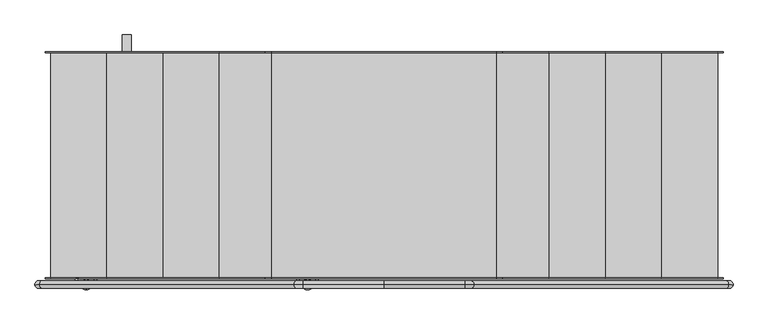
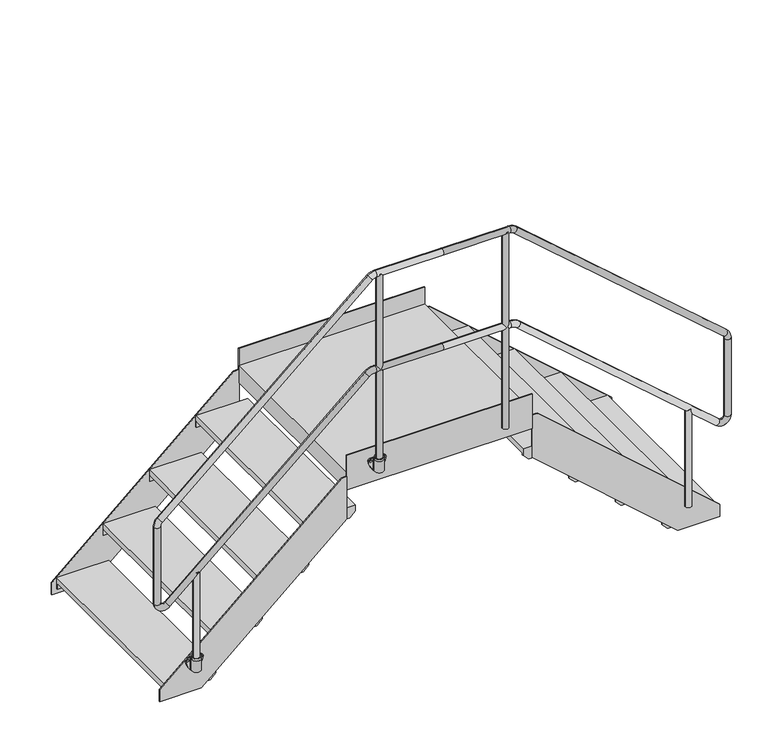
"""IFC4 building model written with IfcOpenShell, lengths in millimetres: beam geometry."""

from ifc_helpers import new_model, si_unit, point, frame, frame_2d, origin, place, context, project, spatial, polyline, circle_curve, ellipse_curve, trimmed, segment, composite_curve, outline, extrude, faceted_brep, source, transform, mapped, element, save
from ifc_brep_helpers import plane_surface, cylinder_surface, revolved_surface, advanced_brep


def beam_62787011(model_context):
    return source(origin(), model_context, "Body", "SolidModel", [
        advanced_brep(
        [(-363.5, -530.5, 1110.5021879), (-316.5, -530.5, 1110.5021879), (-357.5, -530.5, 1110.5021879), (-322.5, -530.5, 1110.5021879), (-355.6843871, -513.0, 1098.5021879), (-324.3156129, -513.0, 1098.5021879), (-340.0, -513.0, 1098.5021879), (-357.5, -530.5, 1098.5021879), (-344.2742096, -513.5299932, 1098.5021879), (-340.0, -513.0, 1098.5021879), (-335.7257904, -513.5299932, 1098.5021879), (-322.5, -530.5, 1098.5021879), (-363.5, -530.5, 1098.5021879), (-316.5, -530.5, 1098.5021879), (-320.0724935, -518.0442991, 1098.5021879), (-359.9275065, -518.0442991, 1098.5021879), (-317.160166, -513.0, 1098.5021879), (-362.839834, -513.0, 1098.5021879), (-320.0724935, -518.0442991, 1034.5021879), (-359.9275065, -518.0442991, 1034.5021879), (-362.839834, -513.0, 1034.5021879), (-317.160166, -513.0, 1034.5021879), (-335.7257904, -513.5299932, 1034.5021879), (-344.2742096, -513.5299932, 1034.5021879)],
        [
            (0, 1, circle_curve(frame((-340.0, -530.5, 1110.5021879), z_axis=(0.0, 0.0, 1.0), x_axis=(1.0, 0.0, 0.0)), 23.5)),
            (1, 0, circle_curve(frame((-340.0, -530.5, 1110.5021879), z_axis=(0.0, 0.0, 1.0), x_axis=(1.0, 0.0, 0.0)), 23.5)),
            (2, 3, circle_curve(frame((-340.0, -530.5, 1110.5021879), z_axis=(0.0, 0.0, -1.0), x_axis=(1.0, 0.0, 0.0)), 17.5)),
            (3, 2, circle_curve(frame((-340.0, -530.5, 1110.5021879), z_axis=(0.0, 0.0, -1.0), x_axis=(1.0, 0.0, 0.0)), 17.5)),
            (4, 5, circle_curve(frame((-340.0, -530.5, 1098.5021879), z_axis=(0.0, 0.0, -1.0), x_axis=(1.0, 0.0, 0.0)), 23.5)),
            (5, 6),
            (6, 4),
            (2, 7),
            (7, 8, circle_curve(frame((-340.0, -530.5, 1098.5021879), z_axis=(0.0, 0.0, -1.0), x_axis=(1.0, 0.0, 0.0)), 17.5)),
            (8, 9, circle_curve(frame((-340.0, -530.5, 1098.5021879), z_axis=(0.0, 0.0, -1.0), x_axis=(1.0, 0.0, 0.0)), 17.5)),
            (9, 10, circle_curve(frame((-340.0, -530.5, 1098.5021879), z_axis=(0.0, 0.0, -1.0), x_axis=(1.0, 0.0, 0.0)), 17.5)),
            (10, 11, circle_curve(frame((-340.0, -530.5, 1098.5021879), z_axis=(0.0, 0.0, -1.0), x_axis=(1.0, 0.0, 0.0)), 17.5)),
            (11, 3),
            (11, 7, circle_curve(frame((-340.0, -530.5, 1098.5021879), z_axis=(0.0, 0.0, -1.0), x_axis=(1.0, 0.0, 0.0)), 17.5)),
            (0, 12),
            (12, 13, circle_curve(frame((-340.0, -530.5, 1098.5021879), z_axis=(0.0, 0.0, 1.0), x_axis=(1.0, 0.0, 0.0)), 23.5)),
            (13, 1),
            (13, 14, circle_curve(frame((-340.0, -530.5, 1098.5021879), z_axis=(0.0, 0.0, 1.0), x_axis=(1.0, 0.0, 0.0)), 23.5)),
            (14, 5, circle_curve(frame((-340.0, -530.5, 1098.5021879), z_axis=(0.0, 0.0, 1.0), x_axis=(1.0, 0.0, 0.0)), 23.5)),
            (4, 15, circle_curve(frame((-340.0, -530.5, 1098.5021879), z_axis=(0.0, 0.0, 1.0), x_axis=(1.0, 0.0, 0.0)), 23.5)),
            (15, 12, circle_curve(frame((-340.0, -530.5, 1098.5021879), z_axis=(0.0, 0.0, 1.0), x_axis=(1.0, 0.0, 0.0)), 23.5)),
            (8, 10),
            (14, 16, circle_curve(frame((-317.1711253, -516.3565387, 1098.5021879), z_axis=(0.0, 0.0, -1.0), x_axis=(-1.0, 0.0, 0.0)), 3.3565566)),
            (16, 5),
            (17, 15, circle_curve(frame((-362.8288747, -516.3565387, 1098.5021879), z_axis=(0.0, 0.0, -1.0), x_axis=(1.0, 0.0, 0.0)), 3.3565566)),
            (4, 17),
            (18, 19, circle_curve(frame((-340.0, -530.5, 1034.5021879), z_axis=(0.0, 0.0, -1.0), x_axis=(1.0, 0.0, 0.0)), 23.5)),
            (19, 20, circle_curve(frame((-362.8288747, -516.3565387, 1034.5021879), z_axis=(0.0, 0.0, 1.0), x_axis=(1.0, 0.0, 0.0)), 3.3565566)),
            (20, 21),
            (21, 18, circle_curve(frame((-317.1711253, -516.3565387, 1034.5021879), z_axis=(0.0, 0.0, 1.0), x_axis=(-1.0, 0.0, 0.0)), 3.3565566)),
            (22, 23),
            (23, 22, circle_curve(frame((-340.0, -530.5, 1034.5021879), z_axis=(0.0, 0.0, 1.0), x_axis=(1.0, 0.0, 0.0)), 17.5)),
            (23, 8),
            (10, 22),
            (14, 18),
            (21, 16),
            (20, 17),
            (19, 15),
        ],
        [
            plane_surface(frame((-322.5, -530.5, 1110.5021879), z_axis=(0.0, 0.0, 1.0), x_axis=(0.0, -1.0, 0.0))),
            plane_surface(frame((-322.5, -530.5, 1098.5021879), z_axis=(0.0, 0.0, -1.0), x_axis=(0.0, 1.0, 0.0))),
            revolved_surface(polyline([(-322.5, -530.5, 1098.5021879), (-322.5, -530.5, 1110.5021879)]), (-340.0, -530.5, 1098.5021879), (0.0, 0.0, -1.0)),
            cylinder_surface(frame((-340.0, -530.5, 1098.5021879), z_axis=(0.0, 0.0, 1.0), x_axis=(1.0, 0.0, 0.0)), 23.5),
            plane_surface(frame((-322.5, -530.5, 1098.5021879), z_axis=(0.0, 0.0, 1.0), x_axis=(0.0, -1.0, 0.0))),
            plane_surface(frame((-322.5, -530.5, 1034.5021879), z_axis=(0.0, 0.0, -1.0), x_axis=(0.0, 1.0, 0.0))),
            revolved_surface(polyline([(-322.5, -530.5, 1034.5021879), (-322.5, -530.5, 1098.5021879)]), (-340.0, -530.5, 1034.5021879), (0.0, 0.0, -1.0)),
            plane_surface(frame((-344.2742096, -513.5299932, 1098.5021879), z_axis=(0.0, -1.0, 0.0), x_axis=(0.0, 0.0, -1.0))),
            revolved_surface(polyline([(-320.5276819, -516.3565387, 1034.5021879), (-320.5276819, -516.3565387, 1098.5021879)]), (-317.1711253, -516.3565387, 1034.5021879), (0.0, 0.0, -1.0)),
            plane_surface(frame((-317.160166, -513.0, 1098.5021879), z_axis=(0.0, 1.0, 0.0), x_axis=(0.0, 0.0, -1.0))),
            revolved_surface(polyline([(-359.4723181, -516.3565387, 1034.5021879), (-359.4723181, -516.3565387, 1098.5021879)]), (-362.8288747, -516.3565387, 1034.5021879), (0.0, 0.0, -1.0)),
            cylinder_surface(frame((-340.0, -530.5, 1034.5021879), z_axis=(0.0, 0.0, 1.0), x_axis=(1.0, 0.0, 0.0)), 23.5),
        ],
        [
            (0, [[1, 2], [3, 4]]),
            (1, [[5, 6, 7]]),
            (2, [[-3, 8, 9, 10, 11, 12, 13]]),
            (2, [[-4, -13, 14, -8]]),
            (3, [[-1, 15, 16, 17]]),
            (3, [[-2, -17, 18, 19, -5, 20, 21, -15]]),
            (4, [[22, -11, -10]]),
            (4, [[23, 24, -19]]),
            (4, [[25, -20, 26]]),
            (5, [[27, 28, 29, 30], [31, 32]]),
            (6, [[-32, 33, -9, -14, -12, 34]]),
            (7, [[-22, -33, -31, -34]]),
            (8, [[-23, 35, -30, 36]]),
            (9, [[-29, 37, -26, -7, -6, -24, -36]]),
            (10, [[-25, -37, -28, 38]]),
            (11, [[-27, -35, -18, -16, -21, -38]]),
        ],
    ),
        extrude(outline(composite_curve([segment(trimmed(circle_curve(frame_2d((1104.1021879, -270.6)), 118.3), [point((1085.8380046, -387.4816051))], [point((1013.6269174, -346.8175533))], False, "CARTESIAN"), True, "CONTINUOUS"), segment(trimmed(circle_curve(frame_2d((1023.5021879, -340.0)), 12.0), [point((1013.6269174, -346.8175533))], [point((1015.2936993, -331.246674))], False, "CARTESIAN"), True, "CONTINUOUS"), segment(trimmed(circle_curve(frame_2d((1104.1021879, -409.4)), 118.3), [point((1015.2936993, -331.246674))], [point((1085.8380046, -292.5183949))], False, "CARTESIAN"), True, "CONTINUOUS"), segment(trimmed(circle_curve(frame_2d((1086.5021879, -304.5)), 12.0), [point((1085.8380046, -292.5183949))], [point((1098.5021879, -304.5))], False, "CARTESIAN"), True, "CONTINUOUS"), segment(polyline([(1098.5021879, -304.5), (1098.5021879, -375.5)]), True, "CONTINUOUS"), segment(trimmed(circle_curve(frame_2d((1086.5021879, -375.5)), 12.0), [point((1098.5021879, -375.5))], [point((1085.8380046, -387.4816051))], False, "CARTESIAN"), True, "CONTINUOUS")], self_intersect=False), holes=[composite_curve([segment(trimmed(circle_curve(frame_2d((1023.5021879, -340.0)), 6.0), [point((1023.5021879, -346.0))], [point((1023.5021879, -334.0))], True, "CARTESIAN"), True, "CONTINUOUS"), segment(trimmed(circle_curve(frame_2d((1023.5021879, -340.0)), 6.0), [point((1023.5021879, -334.0))], [point((1023.5021879, -346.0))], True, "CARTESIAN"), True, "CONTINUOUS")], self_intersect=False), composite_curve([segment(trimmed(circle_curve(frame_2d((1086.5021879, -375.5)), 6.0), [point((1086.5021879, -381.5))], [point((1086.5021879, -369.5))], True, "CARTESIAN"), True, "CONTINUOUS"), segment(trimmed(circle_curve(frame_2d((1086.5021879, -375.5)), 6.0), [point((1086.5021879, -369.5))], [point((1086.5021879, -381.5))], True, "CARTESIAN"), True, "CONTINUOUS")], self_intersect=False), composite_curve([segment(trimmed(circle_curve(frame_2d((1086.5021879, -304.5)), 6.0), [point((1086.5021879, -298.5))], [point((1086.5021879, -310.5))], True, "CARTESIAN"), True, "CONTINUOUS"), segment(trimmed(circle_curve(frame_2d((1086.5021879, -304.5)), 6.0), [point((1086.5021879, -310.5))], [point((1086.5021879, -298.5))], True, "CARTESIAN"), True, "CONTINUOUS")], self_intersect=False)]), frame((0.0, -513.0, 0.0), z_axis=(0.0, 1.0, 0.0), x_axis=(0.0, 0.0, 1.0)), (0.0, 0.0, 1.0), 8.0),
        advanced_brep(
        [(-1348.5, -530.5, 318.5021879), (-1301.5, -530.5, 318.5021879), (-1342.5, -530.5, 318.5021879), (-1307.5, -530.5, 318.5021879), (-1340.6843871, -513.0, 306.5021879), (-1309.3156129, -513.0, 306.5021879), (-1325.0, -513.0, 306.5021879), (-1342.5, -530.5, 306.5021879), (-1329.2742096, -513.5299932, 306.5021879), (-1325.0, -513.0, 306.5021879), (-1320.7257904, -513.5299932, 306.5021879), (-1307.5, -530.5, 306.5021879), (-1348.5, -530.5, 306.5021879), (-1301.5, -530.5, 306.5021879), (-1305.0724935, -518.0442991, 306.5021879), (-1344.9275065, -518.0442991, 306.5021879), (-1302.160166, -513.0, 306.5021879), (-1347.839834, -513.0, 306.5021879), (-1305.0724935, -518.0442991, 242.5021879), (-1344.9275065, -518.0442991, 242.5021879), (-1347.839834, -513.0, 242.5021879), (-1302.160166, -513.0, 242.5021879), (-1320.7257904, -513.5299932, 242.5021879), (-1329.2742096, -513.5299932, 242.5021879)],
        [
            (0, 1, circle_curve(frame((-1325.0, -530.5, 318.5021879), z_axis=(0.0, 0.0, 1.0), x_axis=(1.0, 0.0, 0.0)), 23.5)),
            (1, 0, circle_curve(frame((-1325.0, -530.5, 318.5021879), z_axis=(0.0, 0.0, 1.0), x_axis=(1.0, 0.0, 0.0)), 23.5)),
            (2, 3, circle_curve(frame((-1325.0, -530.5, 318.5021879), z_axis=(0.0, 0.0, -1.0), x_axis=(1.0, 0.0, 0.0)), 17.5)),
            (3, 2, circle_curve(frame((-1325.0, -530.5, 318.5021879), z_axis=(0.0, 0.0, -1.0), x_axis=(1.0, 0.0, 0.0)), 17.5)),
            (4, 5, circle_curve(frame((-1325.0, -530.5, 306.5021879), z_axis=(0.0, 0.0, -1.0), x_axis=(1.0, 0.0, 0.0)), 23.5)),
            (5, 6),
            (6, 4),
            (2, 7),
            (7, 8, circle_curve(frame((-1325.0, -530.5, 306.5021879), z_axis=(0.0, 0.0, -1.0), x_axis=(1.0, 0.0, 0.0)), 17.5)),
            (8, 9, circle_curve(frame((-1325.0, -530.5, 306.5021879), z_axis=(0.0, 0.0, -1.0), x_axis=(1.0, 0.0, 0.0)), 17.5)),
            (9, 10, circle_curve(frame((-1325.0, -530.5, 306.5021879), z_axis=(0.0, 0.0, -1.0), x_axis=(1.0, 0.0, 0.0)), 17.5)),
            (10, 11, circle_curve(frame((-1325.0, -530.5, 306.5021879), z_axis=(0.0, 0.0, -1.0), x_axis=(1.0, 0.0, 0.0)), 17.5)),
            (11, 3),
            (11, 7, circle_curve(frame((-1325.0, -530.5, 306.5021879), z_axis=(0.0, 0.0, -1.0), x_axis=(1.0, 0.0, 0.0)), 17.5)),
            (0, 12),
            (12, 13, circle_curve(frame((-1325.0, -530.5, 306.5021879), z_axis=(0.0, 0.0, 1.0), x_axis=(1.0, 0.0, 0.0)), 23.5)),
            (13, 1),
            (13, 14, circle_curve(frame((-1325.0, -530.5, 306.5021879), z_axis=(0.0, 0.0, 1.0), x_axis=(1.0, 0.0, 0.0)), 23.5)),
            (14, 5, circle_curve(frame((-1325.0, -530.5, 306.5021879), z_axis=(0.0, 0.0, 1.0), x_axis=(1.0, 0.0, 0.0)), 23.5)),
            (4, 15, circle_curve(frame((-1325.0, -530.5, 306.5021879), z_axis=(0.0, 0.0, 1.0), x_axis=(1.0, 0.0, 0.0)), 23.5)),
            (15, 12, circle_curve(frame((-1325.0, -530.5, 306.5021879), z_axis=(0.0, 0.0, 1.0), x_axis=(1.0, 0.0, 0.0)), 23.5)),
            (8, 10),
            (14, 16, circle_curve(frame((-1302.1711253, -516.3565387, 306.5021879), z_axis=(0.0, 0.0, -1.0), x_axis=(-1.0, 0.0, 0.0)), 3.3565566)),
            (16, 5),
            (17, 15, circle_curve(frame((-1347.8288747, -516.3565387, 306.5021879), z_axis=(0.0, 0.0, -1.0), x_axis=(1.0, 0.0, 0.0)), 3.3565566)),
            (4, 17),
            (18, 19, circle_curve(frame((-1325.0, -530.5, 242.5021879), z_axis=(0.0, 0.0, -1.0), x_axis=(1.0, 0.0, 0.0)), 23.5)),
            (19, 20, circle_curve(frame((-1347.8288747, -516.3565387, 242.5021879), z_axis=(0.0, 0.0, 1.0), x_axis=(1.0, 0.0, 0.0)), 3.3565566)),
            (20, 21),
            (21, 18, circle_curve(frame((-1302.1711253, -516.3565387, 242.5021879), z_axis=(0.0, 0.0, 1.0), x_axis=(-1.0, 0.0, 0.0)), 3.3565566)),
            (22, 23),
            (23, 22, circle_curve(frame((-1325.0, -530.5, 242.5021879), z_axis=(0.0, 0.0, 1.0), x_axis=(1.0, 0.0, 0.0)), 17.5)),
            (23, 8),
            (10, 22),
            (14, 18),
            (21, 16),
            (20, 17),
            (19, 15),
        ],
        [
            plane_surface(frame((-1307.5, -530.5, 318.5021879), z_axis=(0.0, 0.0, 1.0), x_axis=(0.0, -1.0, 0.0))),
            plane_surface(frame((-1307.5, -530.5, 306.5021879), z_axis=(0.0, 0.0, -1.0), x_axis=(0.0, 1.0, 0.0))),
            revolved_surface(polyline([(-1307.5, -530.5, 306.5021879), (-1307.5, -530.5, 318.5021879)]), (-1325.0, -530.5, 306.5021879), (0.0, 0.0, -1.0)),
            cylinder_surface(frame((-1325.0, -530.5, 306.5021879), z_axis=(0.0, 0.0, 1.0), x_axis=(1.0, 0.0, 0.0)), 23.5),
            plane_surface(frame((-1307.5, -530.5, 306.5021879), z_axis=(0.0, 0.0, 1.0), x_axis=(0.0, -1.0, 0.0))),
            plane_surface(frame((-1307.5, -530.5, 242.5021879), z_axis=(0.0, 0.0, -1.0), x_axis=(0.0, 1.0, 0.0))),
            revolved_surface(polyline([(-1307.5, -530.5, 242.5021879), (-1307.5, -530.5, 306.5021879)]), (-1325.0, -530.5, 242.5021879), (0.0, 0.0, -1.0)),
            plane_surface(frame((-1329.2742096, -513.5299932, 306.5021879), z_axis=(0.0, -1.0, 0.0), x_axis=(0.0, 0.0, -1.0))),
            revolved_surface(polyline([(-1305.5276819, -516.3565387, 242.5021879), (-1305.5276819, -516.3565387, 306.5021879)]), (-1302.1711253, -516.3565387, 242.5021879), (0.0, 0.0, -1.0)),
            plane_surface(frame((-1302.160166, -513.0, 306.5021879), z_axis=(0.0, 1.0, 0.0), x_axis=(0.0, 0.0, -1.0))),
            revolved_surface(polyline([(-1344.4723181, -516.3565387, 242.5021879), (-1344.4723181, -516.3565387, 306.5021879)]), (-1347.8288747, -516.3565387, 242.5021879), (0.0, 0.0, -1.0)),
            cylinder_surface(frame((-1325.0, -530.5, 242.5021879), z_axis=(0.0, 0.0, 1.0), x_axis=(1.0, 0.0, 0.0)), 23.5),
        ],
        [
            (0, [[1, 2], [3, 4]]),
            (1, [[5, 6, 7]]),
            (2, [[-3, 8, 9, 10, 11, 12, 13]]),
            (2, [[-4, -13, 14, -8]]),
            (3, [[-1, 15, 16, 17]]),
            (3, [[-2, -17, 18, 19, -5, 20, 21, -15]]),
            (4, [[22, -11, -10]]),
            (4, [[23, 24, -19]]),
            (4, [[25, -20, 26]]),
            (5, [[27, 28, 29, 30], [31, 32]]),
            (6, [[-32, 33, -9, -14, -12, 34]]),
            (7, [[-22, -33, -31, -34]]),
            (8, [[-23, 35, -30, 36]]),
            (9, [[-29, 37, -26, -7, -6, -24, -36]]),
            (10, [[-25, -37, -28, 38]]),
            (11, [[-27, -35, -18, -16, -21, -38]]),
        ],
    ),
        extrude(outline(composite_curve([segment(trimmed(circle_curve(frame_2d((312.1021879, -1255.6)), 118.3), [point((293.8380046, -1372.4816051))], [point((221.6269174, -1331.8175533))], False, "CARTESIAN"), True, "CONTINUOUS"), segment(trimmed(circle_curve(frame_2d((231.5021879, -1325.0)), 12.0), [point((221.6269174, -1331.8175533))], [point((223.2936993, -1316.246674))], False, "CARTESIAN"), True, "CONTINUOUS"), segment(trimmed(circle_curve(frame_2d((312.1021879, -1394.4)), 118.3), [point((223.2936993, -1316.246674))], [point((293.8380046, -1277.5183949))], False, "CARTESIAN"), True, "CONTINUOUS"), segment(trimmed(circle_curve(frame_2d((294.5021879, -1289.5)), 12.0), [point((293.8380046, -1277.5183949))], [point((306.5021879, -1289.5))], False, "CARTESIAN"), True, "CONTINUOUS"), segment(polyline([(306.5021879, -1289.5), (306.5021879, -1360.5)]), True, "CONTINUOUS"), segment(trimmed(circle_curve(frame_2d((294.5021879, -1360.5)), 12.0), [point((306.5021879, -1360.5))], [point((293.8380046, -1372.4816051))], False, "CARTESIAN"), True, "CONTINUOUS")], self_intersect=False), holes=[composite_curve([segment(trimmed(circle_curve(frame_2d((231.5021879, -1325.0)), 6.0), [point((231.5021879, -1331.0))], [point((231.5021879, -1319.0))], True, "CARTESIAN"), True, "CONTINUOUS"), segment(trimmed(circle_curve(frame_2d((231.5021879, -1325.0)), 6.0), [point((231.5021879, -1319.0))], [point((231.5021879, -1331.0))], True, "CARTESIAN"), True, "CONTINUOUS")], self_intersect=False), composite_curve([segment(trimmed(circle_curve(frame_2d((294.5021879, -1360.5)), 6.0), [point((294.5021879, -1366.5))], [point((294.5021879, -1354.5))], True, "CARTESIAN"), True, "CONTINUOUS"), segment(trimmed(circle_curve(frame_2d((294.5021879, -1360.5)), 6.0), [point((294.5021879, -1354.5))], [point((294.5021879, -1366.5))], True, "CARTESIAN"), True, "CONTINUOUS")], self_intersect=False), composite_curve([segment(trimmed(circle_curve(frame_2d((294.5021879, -1289.5)), 6.0), [point((294.5021879, -1283.5))], [point((294.5021879, -1295.5))], True, "CARTESIAN"), True, "CONTINUOUS"), segment(trimmed(circle_curve(frame_2d((294.5021879, -1289.5)), 6.0), [point((294.5021879, -1295.5))], [point((294.5021879, -1283.5))], True, "CARTESIAN"), True, "CONTINUOUS")], self_intersect=False)]), frame((0.0, -513.0, 0.0), z_axis=(0.0, 1.0, 0.0), x_axis=(0.0, 0.0, 1.0)), (0.0, 0.0, 1.0), 8.0),
        extrude(outline(composite_curve([segment(trimmed(circle_curve(frame_2d((-1325.0, -530.5)), 16.8), [point((-1341.8, -530.5))], [point((-1308.2, -530.5))], False, "CARTESIAN"), True, "CONTINUOUS"), segment(trimmed(circle_curve(frame_2d((-1325.0, -530.5)), 16.8), [point((-1308.2, -530.5))], [point((-1341.8, -530.5))], False, "CARTESIAN"), True, "CONTINUOUS")], self_intersect=False)), frame((0.0, 0.0, 248.5021879), z_axis=(0.0, 0.0, 1.0), x_axis=(1.0, 0.0, 0.0)), (0.0, 0.0, 1.0), 557.0),
        extrude(outline(composite_curve([segment(trimmed(circle_curve(frame_2d((1325.0, -530.5)), 16.8), [point((1341.8, -530.5))], [point((1308.2, -530.5))], False, "CARTESIAN"), True, "CONTINUOUS"), segment(trimmed(circle_curve(frame_2d((1325.0, -530.5)), 16.8), [point((1308.2, -530.5))], [point((1341.8, -530.5))], False, "CARTESIAN"), True, "CONTINUOUS")], self_intersect=False)), frame((0.0, 0.0, 248.5021879), z_axis=(0.0, 0.0, 1.0), x_axis=(1.0, 0.0, 0.0)), (0.0, 0.0, 1.0), 557.0),
        extrude(outline(composite_curve([segment(trimmed(circle_curve(frame_2d((-340.0, -530.5)), 16.8), [point((-356.8, -530.5))], [point((-323.2, -530.5))], False, "CARTESIAN"), True, "CONTINUOUS"), segment(trimmed(circle_curve(frame_2d((-340.0, -530.5)), 16.8), [point((-323.2, -530.5))], [point((-356.8, -530.5))], False, "CARTESIAN"), True, "CONTINUOUS")], self_intersect=False)), frame((0.0, 0.0, 1040.5021879), z_axis=(0.0, 0.0, 1.0), x_axis=(1.0, 0.0, 0.0)), (0.0, 0.0, 1.0), 1120.0),
        extrude(outline(composite_curve([segment(trimmed(circle_curve(frame_2d((340.0, -530.5)), 16.8), [point((356.8, -530.5))], [point((323.2, -530.5))], False, "CARTESIAN"), True, "CONTINUOUS"), segment(trimmed(circle_curve(frame_2d((340.0, -530.5)), 16.8), [point((323.2, -530.5))], [point((356.8, -530.5))], False, "CARTESIAN"), True, "CONTINUOUS")], self_intersect=False)), frame((0.0, 0.0, 1040.5021879), z_axis=(0.0, 0.0, 1.0), x_axis=(1.0, 0.0, 0.0)), (0.0, 0.0, 1.0), 1120.0),
        advanced_brep(
        [(0.0, -530.5, 2143.9021879), (360.0669192, -530.5, 2143.9021879), (360.0669192, -530.5, 2177.5021879), (0.0, -530.5, 2177.5021879), (377.3868776, -530.5, 2137.4265208), (399.430461, -530.5, 2162.7847627), (1510.3199584, -530.5, 1152.5828188), (1532.3635417, -530.5, 1177.9410607), (1519.4, -530.5, 1132.6584859), (1553.0, -530.5, 1132.6584859), (1519.4, -530.5, 694.6614087), (1553.0, -530.5, 694.6614087), (1492.2406319, -530.5, 682.2841716), (1470.1970486, -530.5, 656.9259297), (418.6523008, -530.5, 1615.5402697), (396.6087175, -530.5, 1590.1820278), (363.805766, -530.5, 1636.0465487), (363.805766, -530.5, 1602.4465487), (0.0, -530.5, 1636.0465487), (0.0, -530.5, 1602.4465487), (-360.0669192, -530.5, 2177.5021879), (-360.0669192, -530.5, 2143.9021879), (-399.430461, -530.5, 2162.7847627), (-377.3868776, -530.5, 2137.4265208), (-1532.3635417, -530.5, 1177.9410607), (-1510.3199584, -530.5, 1152.5828188), (-1553.0, -530.5, 1132.6584859), (-1519.4, -530.5, 1132.6584859), (-1553.0, -530.5, 694.6614087), (-1519.4, -530.5, 694.6614087), (-1470.1970486, -530.5, 656.9259297), (-1492.2406319, -530.5, 682.2841716), (-396.6087175, -530.5, 1590.1820278), (-418.6523008, -530.5, 1615.5402697), (-363.805766, -530.5, 1602.4465487), (-363.805766, -530.5, 1636.0465487)],
        [
            (0, 1),
            (1, 2, circle_curve(frame((360.0669192, -530.5, 2160.7021879), z_axis=(-1.0, 0.0, 0.0), x_axis=(0.0, 0.0, -1.0)), 16.8)),
            (2, 3),
            (3, 0, circle_curve(frame((0.0, -530.5, 2160.7021879), z_axis=(1.0, 0.0, 0.0), x_axis=(0.0, 0.0, -1.0)), 16.8)),
            (0, 3, circle_curve(frame((0.0, -530.5, 2160.7021879), z_axis=(1.0, 0.0, 0.0), x_axis=(0.0, 0.0, -1.0)), 16.8)),
            (2, 1, circle_curve(frame((360.0669192, -530.5, 2160.7021879), z_axis=(-1.0, 0.0, 0.0), x_axis=(0.0, 0.0, -1.0)), 16.8)),
            (1, 4, circle_curve(frame((360.0669192, -530.5, 2117.5021879), z_axis=(0.0, 1.0, 0.0), x_axis=(0.0, 0.0, 1.0)), 26.4)),
            (4, 5, circle_curve(frame((388.4086693, -530.5, 2150.1056417), z_axis=(-0.754709580222773, 0.0, 0.656059028990506), x_axis=(-0.656059028990506, 0.0, -0.754709580222773)), 16.8)),
            (5, 2, circle_curve(frame((360.0669192, -530.5, 2117.5021879), z_axis=(0.0, -1.0, 0.0), x_axis=(0.0, 0.0, 1.0)), 60.0)),
            (5, 4, circle_curve(frame((388.4086693, -530.5, 2150.1056417), z_axis=(-0.7547095802227751, 0.0, 0.6560590289905037), x_axis=(-0.6560590289905037, 0.0, -0.7547095802227751)), 16.8)),
            (4, 6),
            (6, 7, circle_curve(frame((1521.3417501, -530.5, 1165.2619398), z_axis=(-0.7547095802227749, 0.0, 0.6560590289905042), x_axis=(-0.6560590289905041, 0.0, -0.7547095802227747)), 16.8)),
            (7, 5),
            (7, 6, circle_curve(frame((1521.3417501, -530.5, 1165.2619398), z_axis=(-0.7547095802227749, 0.0, 0.6560590289905042), x_axis=(-0.6560590289905041, 0.0, -0.7547095802227747)), 16.8)),
            (6, 8, circle_curve(frame((1493.0, -530.5, 1132.6584859), z_axis=(0.0, 1.0, 0.0), x_axis=(0.6560590289905028, 0.0, 0.7547095802227759)), 26.4)),
            (8, 9, circle_curve(frame((1536.2, -530.5, 1132.6584859), z_axis=(0.0, 0.0, 1.0), x_axis=(-1.0, 0.0, 0.0)), 16.8)),
            (9, 7, circle_curve(frame((1493.0, -530.5, 1132.6584859), z_axis=(0.0, -1.0, 0.0), x_axis=(0.6560590289905028, 0.0, 0.7547095802227759)), 60.0)),
            (9, 8, circle_curve(frame((1536.2, -530.5, 1132.6584859), z_axis=(0.0, 0.0, 1.0), x_axis=(-1.0, 0.0, 0.0)), 16.8)),
            (8, 10),
            (10, 11, circle_curve(frame((1536.2, -530.5, 694.6614087), z_axis=(0.0, 0.0, 1.0), x_axis=(-1.0, 0.0, 0.0)), 16.8)),
            (11, 9),
            (11, 10, circle_curve(frame((1536.2, -530.5, 694.6614087), z_axis=(0.0, 0.0, 1.0), x_axis=(-1.0, 0.0, 0.0)), 16.8)),
            (10, 12, circle_curve(frame((1503.0, -530.5, 694.6614087), z_axis=(0.0, 1.0, 0.0), x_axis=(1.0, 0.0, 0.0)), 16.4)),
            (12, 13, circle_curve(frame((1481.2188402, -530.5, 669.6050506), z_axis=(0.7547095802227738, 0.0, -0.6560590289905052), x_axis=(0.6560590289905052, 0.0, 0.7547095802227738)), 16.8)),
            (13, 11, circle_curve(frame((1503.0, -530.5, 694.6614087), z_axis=(0.0, -1.0, 0.0), x_axis=(1.0, 0.0, 0.0)), 50.0)),
            (13, 12, circle_curve(frame((1481.2188402, -530.5, 669.6050506), z_axis=(0.7547095802227765, 0.0, -0.6560590289905022), x_axis=(0.6560590289905022, 0.0, 0.7547095802227765)), 16.8)),
            (12, 14),
            (14, 15, circle_curve(frame((407.6305092, -530.5, 1602.8611487), z_axis=(0.7547095802227749, 0.0, -0.6560590289905041), x_axis=(0.6560590289905041, 0.0, 0.7547095802227749)), 16.8)),
            (15, 13),
            (15, 14, circle_curve(frame((407.6305092, -530.5, 1602.8611487), z_axis=(0.7547095802227749, 0.0, -0.6560590289905041), x_axis=(0.6560590289905041, 0.0, 0.7547095802227749)), 16.8)),
            (14, 16, circle_curve(frame((363.805766, -530.5, 1552.4465487), z_axis=(0.0, -1.0, 0.0), x_axis=(0.6560590289905083, 0.0, 0.754709580222771)), 83.6)),
            (16, 17, circle_curve(frame((363.805766, -530.5, 1619.2465487), z_axis=(0.9999999999999999, 0.0, 0.0), x_axis=(0.0, 0.0, 0.9999999999999999)), 16.8)),
            (17, 15, circle_curve(frame((363.805766, -530.5, 1552.4465487), z_axis=(0.0, 1.0, 0.0), x_axis=(0.6560590289905083, 0.0, 0.754709580222771)), 50.0)),
            (17, 16, circle_curve(frame((363.805766, -530.5, 1619.2465487), z_axis=(1.0, 0.0, 0.0), x_axis=(0.0, 0.0, 1.0)), 16.8)),
            (16, 18),
            (18, 19, circle_curve(frame((0.0, -530.5, 1619.2465487), z_axis=(1.0, 0.0, 0.0), x_axis=(0.0, 0.0, 1.0)), 16.8)),
            (19, 17),
            (19, 18, circle_curve(frame((0.0, -530.5, 1619.2465487), z_axis=(1.0, 0.0, 0.0), x_axis=(0.0, 0.0, 1.0)), 16.8)),
            (3, 20),
            (20, 21, circle_curve(frame((-360.0669192, -530.5, 2160.7021879), z_axis=(1.0, 0.0, 0.0), x_axis=(0.0, 0.0, -1.0)), 16.8)),
            (21, 0),
            (21, 20, circle_curve(frame((-360.0669192, -530.5, 2160.7021879), z_axis=(1.0, 0.0, 0.0), x_axis=(0.0, 0.0, -1.0)), 16.8)),
            (20, 22, circle_curve(frame((-360.0669192, -530.5, 2117.5021879), z_axis=(0.0, -1.0, 0.0), x_axis=(0.0, 0.0, 1.0)), 60.0)),
            (22, 23, circle_curve(frame((-388.4086693, -530.5, 2150.1056417), z_axis=(0.7547095802227751, 0.0, 0.6560590289905037), x_axis=(0.6560590289905037, 0.0, -0.7547095802227751)), 16.8)),
            (23, 21, circle_curve(frame((-360.0669192, -530.5, 2117.5021879), z_axis=(0.0, 1.0, 0.0), x_axis=(0.0, 0.0, 1.0)), 26.4)),
            (23, 22, circle_curve(frame((-388.4086693, -530.5, 2150.1056417), z_axis=(0.7547095802227743, 0.0, 0.6560590289905045), x_axis=(0.6560590289905045, 0.0, -0.7547095802227743)), 16.8)),
            (22, 24),
            (24, 25, circle_curve(frame((-1521.3417501, -530.5, 1165.2619398), z_axis=(0.7547095802227749, 0.0, 0.6560590289905042), x_axis=(0.6560590289905041, 0.0, -0.7547095802227747)), 16.8)),
            (25, 23),
            (25, 24, circle_curve(frame((-1521.3417501, -530.5, 1165.2619398), z_axis=(0.7547095802227749, 0.0, 0.6560590289905042), x_axis=(0.6560590289905041, 0.0, -0.7547095802227747)), 16.8)),
            (24, 26, circle_curve(frame((-1493.0, -530.5, 1132.6584859), z_axis=(0.0, -1.0, 0.0), x_axis=(-0.6560590289905062, 0.0, 0.754709580222773)), 60.0)),
            (26, 27, circle_curve(frame((-1536.2, -530.5, 1132.6584859), z_axis=(0.0, 0.0, 1.0), x_axis=(1.0, 0.0, 0.0)), 16.8)),
            (27, 25, circle_curve(frame((-1493.0, -530.5, 1132.6584859), z_axis=(0.0, 1.0, 0.0), x_axis=(-0.6560590289905062, 0.0, 0.754709580222773)), 26.4)),
            (27, 26, circle_curve(frame((-1536.2, -530.5, 1132.6584859), z_axis=(0.0, 0.0, 1.0), x_axis=(1.0, 0.0, 0.0)), 16.8)),
            (26, 28),
            (28, 29, circle_curve(frame((-1536.2, -530.5, 694.6614087), z_axis=(0.0, 0.0, 1.0), x_axis=(1.0, 0.0, 0.0)), 16.8)),
            (29, 27),
            (29, 28, circle_curve(frame((-1536.2, -530.5, 694.6614087), z_axis=(0.0, 0.0, 1.0), x_axis=(1.0, 0.0, 0.0)), 16.8)),
            (28, 30, circle_curve(frame((-1503.0, -530.5, 694.6614087), z_axis=(0.0, -1.0, 0.0), x_axis=(-1.0, 0.0, 0.0)), 50.0)),
            (30, 31, circle_curve(frame((-1481.2188402, -530.5, 669.6050506), z_axis=(-0.7547095802227738, 0.0, -0.6560590289905053), x_axis=(-0.6560590289905053, 0.0, 0.7547095802227738)), 16.8)),
            (31, 29, circle_curve(frame((-1503.0, -530.5, 694.6614087), z_axis=(0.0, 1.0, 0.0), x_axis=(-1.0, 0.0, 0.0)), 16.4)),
            (31, 30, circle_curve(frame((-1481.2188402, -530.5, 669.6050506), z_axis=(-0.7547095802227773, 0.0, -0.6560590289905013), x_axis=(-0.6560590289905013, 0.0, 0.7547095802227773)), 16.8)),
            (30, 32),
            (32, 33, circle_curve(frame((-407.6305092, -530.5, 1602.8611487), z_axis=(-0.7547095802227748, 0.0, -0.6560590289905042), x_axis=(-0.6560590289905042, 0.0, 0.7547095802227748)), 16.8)),
            (33, 31),
            (33, 32, circle_curve(frame((-407.6305092, -530.5, 1602.8611487), z_axis=(-0.7547095802227748, 0.0, -0.6560590289905042), x_axis=(-0.6560590289905042, 0.0, 0.7547095802227748)), 16.8)),
            (32, 34, circle_curve(frame((-363.805766, -530.5, 1552.4465487), z_axis=(0.0, 1.0, 0.0), x_axis=(-0.6560590289905083, 0.0, 0.754709580222771)), 50.0)),
            (34, 35, circle_curve(frame((-363.805766, -530.5, 1619.2465487), z_axis=(-1.0, 0.0, 0.0), x_axis=(0.0, 0.0, 1.0)), 16.8)),
            (35, 33, circle_curve(frame((-363.805766, -530.5, 1552.4465487), z_axis=(0.0, -1.0, 0.0), x_axis=(-0.6560590289905083, 0.0, 0.754709580222771)), 83.6)),
            (35, 34, circle_curve(frame((-363.805766, -530.5, 1619.2465487), z_axis=(-0.9999999999999999, 0.0, 0.0), x_axis=(0.0, 0.0, 0.9999999999999999)), 16.8)),
            (34, 19),
            (18, 35),
        ],
        [
            cylinder_surface(frame((0.0, -530.5, 2160.7021879), z_axis=(-1.0, 0.0, 0.0), x_axis=(0.0, 0.0, -1.0)), 16.8),
            revolved_surface(trimmed(ellipse_curve(frame((360.0669192, -530.5, 2160.7021879), z_axis=(-1.0, 0.0, 0.0), x_axis=(0.0, 0.0, -1.0)), 16.8, 16.8), [point((360.0669192, -530.5, 2143.9021879))], [point((360.0669192, -530.5, 2177.5021879))], True, "CARTESIAN"), (360.0669192, -530.5, 2117.5021879), (0.0, 1.0, 0.0)),
            revolved_surface(trimmed(ellipse_curve(frame((360.0669192, -530.5, 2160.7021879), z_axis=(-1.0, 0.0, 0.0), x_axis=(0.0, 0.0, -1.0)), 16.8, 16.8), [point((360.0669192, -530.5, 2177.5021879))], [point((360.0669192, -530.5, 2143.9021879))], True, "CARTESIAN"), (360.0669192, -530.5, 2117.5021879), (0.0, 1.0, 0.0)),
            cylinder_surface(frame((388.4086693, -530.5, 2150.1056417), z_axis=(-0.7547095802227747, 0.0, 0.6560590289905041), x_axis=(-0.6560590289905041, 0.0, -0.7547095802227747)), 16.8),
            revolved_surface(trimmed(ellipse_curve(frame((1521.3417501, -530.5, 1165.2619398), z_axis=(-0.7547095802227761, 0.0, 0.6560590289905026), x_axis=(-0.6560590289905026, 0.0, -0.7547095802227761)), 16.8, 16.8), [point((1510.3199584, -530.5, 1152.5828188))], [point((1532.3635417, -530.5, 1177.9410607))], True, "CARTESIAN"), (1493.0, -530.5, 1132.6584859), (0.0, 1.0, 0.0)),
            revolved_surface(trimmed(ellipse_curve(frame((1521.3417501, -530.5, 1165.2619398), z_axis=(-0.7547095802227761, 0.0, 0.6560590289905026), x_axis=(-0.6560590289905026, 0.0, -0.7547095802227761)), 16.8, 16.8), [point((1532.3635417, -530.5, 1177.9410607))], [point((1510.3199584, -530.5, 1152.5828188))], True, "CARTESIAN"), (1493.0, -530.5, 1132.6584859), (0.0, 1.0, 0.0)),
            cylinder_surface(frame((1536.2, -530.5, 1132.6584859), z_axis=(0.0, 0.0, 1.0), x_axis=(-1.0, 0.0, 0.0)), 16.8),
            revolved_surface(trimmed(ellipse_curve(frame((1536.2, -530.5, 694.6614087), z_axis=(0.0, 0.0, 1.0), x_axis=(-1.0, 0.0, 0.0)), 16.8, 16.8), [point((1519.4, -530.5, 694.6614087))], [point((1553.0, -530.5, 694.6614087))], True, "CARTESIAN"), (1503.0, -530.5, 694.6614087), (0.0, 1.0, 0.0)),
            revolved_surface(trimmed(ellipse_curve(frame((1536.2, -530.5, 694.6614087), z_axis=(0.0, 0.0, 1.0), x_axis=(-1.0, 0.0, 0.0)), 16.8, 16.8), [point((1553.0, -530.5, 694.6614087))], [point((1519.4, -530.5, 694.6614087))], True, "CARTESIAN"), (1503.0, -530.5, 694.6614087), (0.0, 1.0, 0.0)),
            cylinder_surface(frame((1481.2188402, -530.5, 669.6050506), z_axis=(0.7547095802227749, 0.0, -0.6560590289905041), x_axis=(0.6560590289905041, 0.0, 0.7547095802227749)), 16.8),
            revolved_surface(trimmed(ellipse_curve(frame((407.6305092, -530.5, 1602.8611487), z_axis=(0.7547095802227712, 0.0, -0.656059028990508), x_axis=(0.656059028990508, 0.0, 0.7547095802227712)), 16.8, 16.8), [point((418.6523008, -530.5, 1615.5402697))], [point((396.6087175, -530.5, 1590.1820278))], True, "CARTESIAN"), (363.805766, -530.5, 1552.4465487), (0.0, -1.0, 0.0)),
            revolved_surface(trimmed(ellipse_curve(frame((407.6305092, -530.5, 1602.8611487), z_axis=(0.7547095802227712, 0.0, -0.656059028990508), x_axis=(0.656059028990508, 0.0, 0.7547095802227712)), 16.8, 16.8), [point((396.6087175, -530.5, 1590.1820278))], [point((418.6523008, -530.5, 1615.5402697))], True, "CARTESIAN"), (363.805766, -530.5, 1552.4465487), (0.0, -1.0, 0.0)),
            cylinder_surface(frame((363.805766, -530.5, 1619.2465487), z_axis=(1.0, 0.0, 0.0), x_axis=(0.0, 0.0, 1.0)), 16.8),
            cylinder_surface(frame((0.0, -530.5, 2160.7021879), z_axis=(1.0, 0.0, 0.0), x_axis=(0.0, 0.0, -1.0)), 16.8),
            revolved_surface(trimmed(ellipse_curve(frame((-360.0669192, -530.5, 2160.7021879), z_axis=(1.0, 0.0, 0.0), x_axis=(0.0, 0.0, -1.0)), 16.8, 16.8), [point((-360.0669192, -530.5, 2177.5021879))], [point((-360.0669192, -530.5, 2143.9021879))], True, "CARTESIAN"), (-360.0669192, -530.5, 2117.5021879), (0.0, -1.0, 0.0)),
            revolved_surface(trimmed(ellipse_curve(frame((-360.0669192, -530.5, 2160.7021879), z_axis=(1.0, 0.0, 0.0), x_axis=(0.0, 0.0, -1.0)), 16.8, 16.8), [point((-360.0669192, -530.5, 2143.9021879))], [point((-360.0669192, -530.5, 2177.5021879))], True, "CARTESIAN"), (-360.0669192, -530.5, 2117.5021879), (0.0, -1.0, 0.0)),
            cylinder_surface(frame((-388.4086693, -530.5, 2150.1056417), z_axis=(0.7547095802227747, 0.0, 0.6560590289905041), x_axis=(0.6560590289905041, 0.0, -0.7547095802227747)), 16.8),
            revolved_surface(trimmed(ellipse_curve(frame((-1521.3417501, -530.5, 1165.2619398), z_axis=(0.7547095802227731, 0.0, 0.656059028990506), x_axis=(0.656059028990506, 0.0, -0.7547095802227731)), 16.8, 16.8), [point((-1532.3635417, -530.5, 1177.9410607))], [point((-1510.3199584, -530.5, 1152.5828188))], True, "CARTESIAN"), (-1493.0, -530.5, 1132.6584859), (0.0, -1.0, 0.0)),
            revolved_surface(trimmed(ellipse_curve(frame((-1521.3417501, -530.5, 1165.2619398), z_axis=(0.7547095802227731, 0.0, 0.656059028990506), x_axis=(0.656059028990506, 0.0, -0.7547095802227731)), 16.8, 16.8), [point((-1510.3199584, -530.5, 1152.5828188))], [point((-1532.3635417, -530.5, 1177.9410607))], True, "CARTESIAN"), (-1493.0, -530.5, 1132.6584859), (0.0, -1.0, 0.0)),
            cylinder_surface(frame((-1536.2, -530.5, 1132.6584859), z_axis=(0.0, 0.0, 1.0), x_axis=(1.0, 0.0, 0.0)), 16.8),
            revolved_surface(trimmed(ellipse_curve(frame((-1536.2, -530.5, 694.6614087), z_axis=(0.0, 0.0, 1.0), x_axis=(1.0, 0.0, 0.0)), 16.8, 16.8), [point((-1553.0, -530.5, 694.6614087))], [point((-1519.4, -530.5, 694.6614087))], True, "CARTESIAN"), (-1503.0, -530.5, 694.6614087), (0.0, -1.0, 0.0)),
            revolved_surface(trimmed(ellipse_curve(frame((-1536.2, -530.5, 694.6614087), z_axis=(0.0, 0.0, 1.0), x_axis=(1.0, 0.0, 0.0)), 16.8, 16.8), [point((-1519.4, -530.5, 694.6614087))], [point((-1553.0, -530.5, 694.6614087))], True, "CARTESIAN"), (-1503.0, -530.5, 694.6614087), (0.0, -1.0, 0.0)),
            cylinder_surface(frame((-1481.2188402, -530.5, 669.6050506), z_axis=(-0.7547095802227748, 0.0, -0.6560590289905042), x_axis=(-0.6560590289905042, 0.0, 0.7547095802227748)), 16.8),
            revolved_surface(trimmed(ellipse_curve(frame((-407.6305092, -530.5, 1602.8611487), z_axis=(-0.7547095802227711, 0.0, -0.6560590289905082), x_axis=(-0.6560590289905082, 0.0, 0.7547095802227711)), 16.8, 16.8), [point((-396.6087175, -530.5, 1590.1820278))], [point((-418.6523008, -530.5, 1615.5402697))], True, "CARTESIAN"), (-363.805766, -530.5, 1552.4465487), (0.0, 1.0, 0.0)),
            revolved_surface(trimmed(ellipse_curve(frame((-407.6305092, -530.5, 1602.8611487), z_axis=(-0.7547095802227711, 0.0, -0.6560590289905082), x_axis=(-0.6560590289905082, 0.0, 0.7547095802227711)), 16.8, 16.8), [point((-418.6523008, -530.5, 1615.5402697))], [point((-396.6087175, -530.5, 1590.1820278))], True, "CARTESIAN"), (-363.805766, -530.5, 1552.4465487), (0.0, 1.0, 0.0)),
            cylinder_surface(frame((-363.805766, -530.5, 1619.2465487), z_axis=(-1.0, 0.0, 0.0), x_axis=(0.0, 0.0, 1.0)), 16.8),
        ],
        [
            (0, [[1, 2, 3, 4]]),
            (0, [[-1, 5, -3, 6]]),
            (1, [[-2, 7, 8, 9]]),
            (2, [[-6, -9, 10, -7]]),
            (3, [[-8, 11, 12, 13]]),
            (3, [[-10, -13, 14, -11]]),
            (4, [[-12, 15, 16, 17]]),
            (5, [[-14, -17, 18, -15]]),
            (6, [[-16, 19, 20, 21]]),
            (6, [[-18, -21, 22, -19]]),
            (7, [[-20, 23, 24, 25]]),
            (8, [[-22, -25, 26, -23]]),
            (9, [[-24, 27, 28, 29]]),
            (9, [[-26, -29, 30, -27]]),
            (10, [[-28, 31, 32, 33]]),
            (11, [[-30, -33, 34, -31]]),
            (12, [[-32, 35, 36, 37]]),
            (12, [[-34, -37, 38, -35]]),
            (13, [[39, 40, 41, -4]]),
            (13, [[-39, -5, -41, 42]]),
            (14, [[-40, 43, 44, 45]]),
            (15, [[-42, -45, 46, -43]]),
            (16, [[-44, 47, 48, 49]]),
            (16, [[-46, -49, 50, -47]]),
            (17, [[-48, 51, 52, 53]]),
            (18, [[-50, -53, 54, -51]]),
            (19, [[-52, 55, 56, 57]]),
            (19, [[-54, -57, 58, -55]]),
            (20, [[-56, 59, 60, 61]]),
            (21, [[-58, -61, 62, -59]]),
            (22, [[-60, 63, 64, 65]]),
            (22, [[-62, -65, 66, -63]]),
            (23, [[-64, 67, 68, 69]]),
            (24, [[-66, -69, 70, -67]]),
            (25, [[-68, 71, -36, 72]]),
            (25, [[-70, -72, -38, -71]]),
        ],
    ),
        faceted_brep([(-451.8261027, -495.0, 831.6609519), (-727.8261027, -495.0, 831.6609519), (-727.8261027, 495.0, 831.6609519), (-451.8261027, 495.0, 831.6609519), (-732.8261027, 500.0, 856.6609519), (-451.8261027, 500.0, 856.6609519), (-451.8261027, 500.0, 821.6609519), (-481.8261027, 500.0, 791.6609519), (-732.8261027, 500.0, 791.6609519), (-451.8261027, 495.0, 821.6609519), (-727.8261027, 495.0, 826.6609519), (-732.8261027, 495.0, 826.6609519), (-732.8261027, 495.0, 791.6609519), (-481.8261027, 495.0, 791.6609519), (-732.8261027, -495.0, 826.6609519), (-732.8261027, -495.0, 791.6609519), (-732.8261027, -500.0, 791.6609519), (-732.8261027, -500.0, 856.6609519), (-451.8261027, -500.0, 856.6609519), (-481.8261027, -500.0, 791.6609519), (-451.8261027, -500.0, 821.6609519), (-727.8261027, -495.0, 826.6609519), (-451.8261027, -495.0, 821.6609519), (-481.8261027, -495.0, 791.6609519)], [[[0, 1, 2, 3]], [[4, 5, 6, 7, 8]], [[9, 3, 2, 10, 11, 12, 13]], [[8, 12, 11, 14, 15, 16, 17, 4]], [[7, 13, 12, 8]], [[6, 9, 13, 7]], [[18, 17, 16, 19, 20]], [[15, 14, 21, 1, 0, 22, 23]], [[19, 23, 22, 20]], [[16, 15, 23, 19]], [[10, 2, 1, 21]], [[21, 14, 11, 10]], [[4, 17, 18, 5]], [[3, 9, 6, 5, 18, 20, 22, 0]]]),
        faceted_brep([(-701.9035193, -495.0, 611.773968), (-977.9035193, -495.0, 611.773968), (-977.9035193, 495.0, 611.773968), (-701.9035193, 495.0, 611.773968), (-982.9035193, 500.0, 636.773968), (-701.9035193, 500.0, 636.773968), (-701.9035193, 500.0, 601.773968), (-731.9035193, 500.0, 571.773968), (-982.9035193, 500.0, 571.773968), (-701.9035193, 495.0, 601.773968), (-977.9035193, 495.0, 606.773968), (-982.9035193, 495.0, 606.773968), (-982.9035193, 495.0, 571.773968), (-731.9035193, 495.0, 571.773968), (-982.9035193, -495.0, 606.773968), (-982.9035193, -495.0, 571.773968), (-982.9035193, -500.0, 571.773968), (-982.9035193, -500.0, 636.773968), (-701.9035193, -500.0, 636.773968), (-731.9035193, -500.0, 571.773968), (-701.9035193, -500.0, 601.773968), (-977.9035193, -495.0, 606.773968), (-701.9035193, -495.0, 601.773968), (-731.9035193, -495.0, 571.773968)], [[[0, 1, 2, 3]], [[4, 5, 6, 7, 8]], [[9, 3, 2, 10, 11, 12, 13]], [[8, 12, 11, 14, 15, 16, 17, 4]], [[7, 13, 12, 8]], [[6, 9, 13, 7]], [[18, 17, 16, 19, 20]], [[15, 14, 21, 1, 0, 22, 23]], [[19, 23, 22, 20]], [[16, 15, 23, 19]], [[10, 2, 1, 21]], [[21, 14, 11, 10]], [[4, 17, 18, 5]], [[3, 9, 6, 5, 18, 20, 22, 0]]]),
        faceted_brep([(452.6464531, -495.0, 832.0), (452.6464531, 495.0, 832.0), (728.6464531, 495.0, 832.0), (728.6464531, -495.0, 832.0), (733.6464531, 500.0, 857.0), (733.6464531, 500.0, 792.0), (482.6464531, 500.0, 792.0), (452.6464531, 500.0, 822.0), (452.6464531, 500.0, 857.0), (452.6464531, 495.0, 822.0), (482.6464531, 495.0, 792.0), (733.6464531, 495.0, 792.0), (733.6464531, 495.0, 827.0), (728.6464531, 495.0, 827.0), (733.6464531, -500.0, 857.0), (733.6464531, -500.0, 792.0), (733.6464531, -495.0, 792.0), (733.6464531, -495.0, 827.0), (452.6464531, -500.0, 857.0), (452.6464531, -500.0, 822.0), (482.6464531, -500.0, 792.0), (482.6464531, -495.0, 792.0), (452.6464531, -495.0, 822.0), (728.6464531, -495.0, 827.0)], [[[0, 1, 2, 3]], [[4, 5, 6, 7, 8]], [[9, 10, 11, 12, 13, 2, 1]], [[5, 4, 14, 15, 16, 17, 12, 11]], [[6, 5, 11, 10]], [[7, 6, 10, 9]], [[18, 19, 20, 15, 14]], [[16, 21, 22, 0, 3, 23, 17]], [[20, 19, 22, 21]], [[15, 20, 21, 16]], [[13, 23, 3, 2]], [[23, 13, 12, 17]], [[4, 8, 18, 14]], [[1, 0, 22, 19, 18, 8, 7, 9]]]),
        faceted_brep([(702.6464531, -495.0, 612.0), (702.6464531, 495.0, 612.0), (978.6464531, 495.0, 612.0), (978.6464531, -495.0, 612.0), (983.6464531, 500.0, 637.0), (983.6464531, 500.0, 572.0), (732.6464531, 500.0, 572.0), (702.6464531, 500.0, 602.0), (702.6464531, 500.0, 637.0), (702.6464531, 495.0, 602.0), (732.6464531, 495.0, 572.0), (983.6464531, 495.0, 572.0), (983.6464531, 495.0, 607.0), (978.6464531, 495.0, 607.0), (983.6464531, -500.0, 637.0), (983.6464531, -500.0, 572.0), (983.6464531, -495.0, 572.0), (983.6464531, -495.0, 607.0), (702.6464531, -500.0, 637.0), (702.6464531, -500.0, 602.0), (732.6464531, -500.0, 572.0), (732.6464531, -495.0, 572.0), (702.6464531, -495.0, 602.0), (978.6464531, -495.0, 607.0)], [[[0, 1, 2, 3]], [[4, 5, 6, 7, 8]], [[9, 10, 11, 12, 13, 2, 1]], [[5, 4, 14, 15, 16, 17, 12, 11]], [[6, 5, 11, 10]], [[7, 6, 10, 9]], [[18, 19, 20, 15, 14]], [[16, 21, 22, 0, 3, 23, 17]], [[20, 19, 22, 21]], [[15, 20, 21, 16]], [[13, 23, 3, 2]], [[23, 13, 12, 17]], [[4, 8, 18, 14]], [[1, 0, 22, 19, 18, 8, 7, 9]]]),
        extrude(outline(polyline([(1037.0, 495.2940503), (960.3, 495.2940503), (960.3, 500.2940503), (1062.0, 500.2940503), (1062.0, -499.7059497), (960.3, -499.7059497), (960.3, -494.7059497), (1037.0, -494.7059497), (1037.0, 495.2940503)])), frame((0.0, -500.0, 0.0), z_axis=(0.0, 1.0, 0.0), x_axis=(0.0, 0.0, 1.0)), (0.0, 0.0, 1.0), 1000.0),
        extrude(outline(polyline([(1037.0, -499.7059497), (1037.0, -527.7059497), (175.0, -1508.0583524), (107.0, -1508.0583524), (107.0, -1282.5118704), (795.3021879, -499.7059497), (1037.0, -499.7059497)])), frame((0.0, 500.0, 0.0), z_axis=(0.0, 1.0, 0.0), x_axis=(0.0, 0.0, 1.0)), (0.0, 0.0, 1.0), 5.0),
        extrude(outline(polyline([(500.2940503, 505.0), (500.2940503, 500.0), (-499.7059497, 500.0), (-499.7059497, 505.0), (500.2940503, 505.0)])), frame((0.0, 0.0, 960.3021879), z_axis=(0.0, 0.0, 1.0), x_axis=(1.0, 0.0, 0.0)), (0.0, 0.0, 1.0), 196.2),
        extrude(outline(polyline([(1037.0, 500.2940503), (795.3021879, 500.2940503), (107.0, 1283.0999711), (107.0, 1508.6464531), (175.0, 1508.6464531), (1037.0, 528.2940503), (1037.0, 500.2940503)])), frame((0.0, 500.0, 0.0), z_axis=(0.0, 1.0, 0.0), x_axis=(0.0, 0.0, 1.0)), (0.0, 0.0, 1.0), 5.0),
        faceted_brep([(-951.9809358, -495.0, 391.886984), (-1227.9809358, -495.0, 391.886984), (-1227.9809358, 495.0, 391.886984), (-951.9809358, 495.0, 391.886984), (-1232.9809358, 500.0, 416.886984), (-951.9809358, 500.0, 416.886984), (-951.9809358, 500.0, 381.886984), (-981.9809358, 500.0, 351.886984), (-1232.9809358, 500.0, 351.886984), (-951.9809358, 495.0, 381.886984), (-1227.9809358, 495.0, 386.886984), (-1232.9809358, 495.0, 386.886984), (-1232.9809358, 495.0, 351.886984), (-981.9809358, 495.0, 351.886984), (-1232.9809358, -495.0, 386.886984), (-1232.9809358, -495.0, 351.886984), (-1232.9809358, -500.0, 351.886984), (-1232.9809358, -500.0, 416.886984), (-951.9809358, -500.0, 416.886984), (-981.9809358, -500.0, 351.886984), (-951.9809358, -500.0, 381.886984), (-1227.9809358, -495.0, 386.886984), (-951.9809358, -495.0, 381.886984), (-981.9809358, -495.0, 351.886984)], [[[0, 1, 2, 3]], [[4, 5, 6, 7, 8]], [[9, 3, 2, 10, 11, 12, 13]], [[8, 12, 11, 14, 15, 16, 17, 4]], [[7, 13, 12, 8]], [[6, 9, 13, 7]], [[18, 17, 16, 19, 20]], [[15, 14, 21, 1, 0, 22, 23]], [[19, 23, 22, 20]], [[16, 15, 23, 19]], [[10, 2, 1, 21]], [[21, 14, 11, 10]], [[4, 17, 18, 5]], [[3, 9, 6, 5, 18, 20, 22, 0]]]),
        faceted_brep([(-1202.0583524, -495.0, 172.0), (-1478.0583524, -495.0, 172.0), (-1478.0583524, 495.0, 172.0), (-1202.0583524, 495.0, 172.0), (-1483.0583524, 500.0, 197.0), (-1202.0583524, 500.0, 197.0), (-1202.0583524, 500.0, 162.0), (-1232.0583524, 500.0, 132.0), (-1483.0583524, 500.0, 132.0), (-1202.0583524, 495.0, 162.0), (-1478.0583524, 495.0, 167.0), (-1483.0583524, 495.0, 167.0), (-1483.0583524, 495.0, 132.0), (-1232.0583524, 495.0, 132.0), (-1483.0583524, -495.0, 167.0), (-1483.0583524, -495.0, 132.0), (-1483.0583524, -500.0, 132.0), (-1483.0583524, -500.0, 197.0), (-1202.0583524, -500.0, 197.0), (-1232.0583524, -500.0, 132.0), (-1202.0583524, -500.0, 162.0), (-1478.0583524, -495.0, 167.0), (-1202.0583524, -495.0, 162.0), (-1232.0583524, -495.0, 132.0)], [[[0, 1, 2, 3]], [[4, 5, 6, 7, 8]], [[9, 3, 2, 10, 11, 12, 13]], [[8, 12, 11, 14, 15, 16, 17, 4]], [[7, 13, 12, 8]], [[6, 9, 13, 7]], [[18, 17, 16, 19, 20]], [[15, 14, 21, 1, 0, 22, 23]], [[19, 23, 22, 20]], [[16, 15, 23, 19]], [[10, 2, 1, 21]], [[21, 14, 11, 10]], [[4, 17, 18, 5]], [[3, 9, 6, 5, 18, 20, 22, 0]]]),
        faceted_brep([(952.6464531, -495.0, 392.0), (952.6464531, 495.0, 392.0), (1228.6464531, 495.0, 392.0), (1228.6464531, -495.0, 392.0), (1233.6464531, 500.0, 417.0), (1233.6464531, 500.0, 352.0), (982.6464531, 500.0, 352.0), (952.6464531, 500.0, 382.0), (952.6464531, 500.0, 417.0), (952.6464531, 495.0, 382.0), (982.6464531, 495.0, 352.0), (1233.6464531, 495.0, 352.0), (1233.6464531, 495.0, 387.0), (1228.6464531, 495.0, 387.0), (1233.6464531, -500.0, 417.0), (1233.6464531, -500.0, 352.0), (1233.6464531, -495.0, 352.0), (1233.6464531, -495.0, 387.0), (952.6464531, -500.0, 417.0), (952.6464531, -500.0, 382.0), (982.6464531, -500.0, 352.0), (982.6464531, -495.0, 352.0), (952.6464531, -495.0, 382.0), (1228.6464531, -495.0, 387.0)], [[[0, 1, 2, 3]], [[4, 5, 6, 7, 8]], [[9, 10, 11, 12, 13, 2, 1]], [[5, 4, 14, 15, 16, 17, 12, 11]], [[6, 5, 11, 10]], [[7, 6, 10, 9]], [[18, 19, 20, 15, 14]], [[16, 21, 22, 0, 3, 23, 17]], [[20, 19, 22, 21]], [[15, 20, 21, 16]], [[13, 23, 3, 2]], [[23, 13, 12, 17]], [[4, 8, 18, 14]], [[1, 0, 22, 19, 18, 8, 7, 9]]]),
        extrude(outline(polyline([(1037.0, -499.7059497), (1037.0, -527.7059497), (175.0, -1508.0583524), (107.0, -1508.0583524), (107.0, -1282.5118704), (795.3021879, -499.7059497), (1037.0, -499.7059497)])), frame((0.0, -505.0, 0.0), z_axis=(0.0, 1.0, 0.0), x_axis=(0.0, 0.0, 1.0)), (0.0, 0.0, 1.0), 5.0),
        extrude(outline(polyline([(500.2940503, -505.0), (-499.7059497, -505.0), (-499.7059497, -500.0), (500.2940503, -500.0), (500.2940503, -505.0)])), frame((0.0, 0.0, 960.3021879), z_axis=(0.0, 0.0, 1.0), x_axis=(1.0, 0.0, 0.0)), (0.0, 0.0, 1.0), 196.2),
        extrude(outline(polyline([(1037.0, 500.2940503), (795.3021879, 500.2940503), (107.0, 1283.0999711), (107.0, 1508.6464531), (175.0, 1508.6464531), (1037.0, 528.2940503), (1037.0, 500.2940503)])), frame((0.0, -505.0, 0.0), z_axis=(0.0, 1.0, 0.0), x_axis=(0.0, 0.0, 1.0)), (0.0, 0.0, 1.0), 5.0),
        faceted_brep([(1202.6464531, -495.0, 172.0), (1202.6464531, 495.0, 172.0), (1478.6464531, 495.0, 172.0), (1478.6464531, -495.0, 172.0), (1483.6464531, 500.0, 197.0), (1483.6464531, 500.0, 132.0), (1232.6464531, 500.0, 132.0), (1202.6464531, 500.0, 162.0), (1202.6464531, 500.0, 197.0), (1202.6464531, 495.0, 162.0), (1232.6464531, 495.0, 132.0), (1483.6464531, 495.0, 132.0), (1483.6464531, 495.0, 167.0), (1478.6464531, 495.0, 167.0), (1483.6464531, -500.0, 197.0), (1483.6464531, -500.0, 132.0), (1483.6464531, -495.0, 132.0), (1483.6464531, -495.0, 167.0), (1202.6464531, -500.0, 197.0), (1202.6464531, -500.0, 162.0), (1232.6464531, -500.0, 132.0), (1232.6464531, -495.0, 132.0), (1202.6464531, -495.0, 162.0), (1478.6464531, -495.0, 167.0)], [[[0, 1, 2, 3]], [[4, 5, 6, 7, 8]], [[9, 10, 11, 12, 13, 2, 1]], [[5, 4, 14, 15, 16, 17, 12, 11]], [[6, 5, 11, 10]], [[7, 6, 10, 9]], [[18, 19, 20, 15, 14]], [[16, 21, 22, 0, 3, 23, 17]], [[20, 19, 22, 21]], [[15, 20, 21, 16]], [[13, 23, 3, 2]], [[23, 13, 12, 17]], [[4, 8, 18, 14]], [[1, 0, 22, 19, 18, 8, 7, 9]]]),
        extrude(outline(polyline([(340.0, -1125.0583524), (340.0, -1165.0583524), (280.0, -1165.0583524), (280.0, -1125.0583524), (340.0, -1125.0583524)]), holes=[polyline([(336.8, -1162.0583524), (336.8, -1128.0583524), (283.2, -1128.0583524), (283.2, -1162.0583524), (336.8, -1162.0583524)])]), frame((0.0, 505.0, 0.0), z_axis=(0.0, 1.0, 0.0), x_axis=(0.0, 0.0, 1.0)), (0.0, 0.0, 1.0), 75.0),
    ])


if __name__ == "__main__":
    model = new_model("IFC4")
    model_context = context("Model", 3, world=origin())
    ifc_project = project(units=[si_unit("LENGTHUNIT", "METRE", prefix="MILLI")], contexts=[model_context])
    site = spatial("IfcSite", under=ifc_project)
    building = spatial("IfcBuilding", under=site)
    placement = place(None, origin())
    beam_shape = beam_62787011(model_context)
    element("IfcBeam", 1, at=placement, inside=building, context=model_context, shape_type="MappedRepresentation", body=[
        mapped(beam_shape, transform((0.0, 0.0, 0.0), x_axis=(1.0, 0.0, 0.0), y_axis=(0.0, 1.0, 0.0), z_axis=(0.0, 0.0, 1.0))),
    ])
    save(model, "model.ifc")
